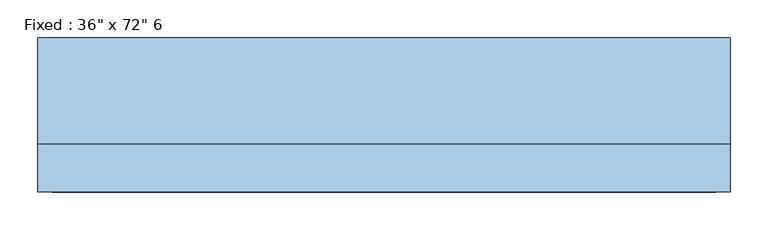
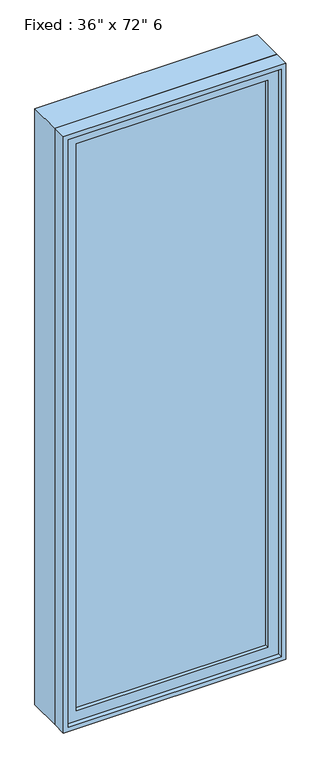
"""IFC4 building model written with IfcOpenShell, lengths in millimetres: window geometry."""

from ifc_helpers import new_model, si_unit, frame, origin, place, context, project, spatial, polyline, outline, extrude, source, transform, mapped, element, save


def window_cf589aaa(model_context):
    return source(origin(), model_context, "Body", "SweptSolid", [
        extrude(outline(polyline([(355.6, -53.975), (355.6, -66.675), (-431.8, -66.675), (-431.8, -53.975), (355.6, -53.975)])), frame((0.0, 0.0, 368.3), z_axis=(0.0, 0.0, 1.0), x_axis=(1.0, 0.0, 0.0)), (0.0, 0.0, 1.0), 2463.8),
        extrude(outline(polyline([(2876.55, -476.25), (323.85, -476.25), (323.85, 400.05), (2876.55, 400.05), (2876.55, -476.25)]), holes=[polyline([(2832.1, -431.8), (2832.1, 355.6), (368.3, 355.6), (368.3, -431.8), (2832.1, -431.8)])]), frame((0.0, -82.55, 0.0), z_axis=(0.0, 1.0, 0.0), x_axis=(0.0, 0.0, 1.0)), (0.0, 0.0, 1.0), 44.45),
        extrude(outline(polyline([(2895.6, -495.3), (304.8, -495.3), (304.8, 419.1), (2895.6, 419.1), (2895.6, -495.3)]), holes=[polyline([(2863.85, -463.55), (2863.85, 387.35), (336.55, 387.35), (336.55, -463.55), (2863.85, -463.55)])]), frame((0.0, -38.1, 0.0), z_axis=(0.0, 1.0, 0.0), x_axis=(0.0, 0.0, 1.0)), (0.0, 0.0, 1.0), 139.7),
        extrude(outline(polyline([(2895.6, 419.1), (2895.6, -495.3), (304.8, -495.3), (304.8, 419.1), (2895.6, 419.1)]), holes=[polyline([(2876.55, 400.05), (323.85, 400.05), (323.85, -476.25), (2876.55, -476.25), (2876.55, 400.05)])]), frame((0.0, -101.6, 0.0), z_axis=(0.0, 1.0, 0.0), x_axis=(0.0, 0.0, 1.0)), (0.0, 0.0, 1.0), 63.5),
    ])


if __name__ == "__main__":
    model = new_model("IFC4")
    model_context = context("Model", 3, world=origin())
    ifc_project = project(units=[si_unit("LENGTHUNIT", "METRE", prefix="MILLI")], contexts=[model_context])
    site = spatial("IfcSite", under=ifc_project)
    building = spatial("IfcBuilding", under=site)
    placement = place(None, origin())
    window_shape = window_cf589aaa(model_context)
    element("IfcWindow", 1, ObjectType="Fixed : 36\" x 72\" 6", at=placement, inside=building, context=model_context, shape_type="MappedRepresentation", body=[
        mapped(window_shape, transform((0.0, 0.0, 0.0), x_axis=(1.0, 0.0, 0.0), y_axis=(0.0, 1.0, 0.0), z_axis=(0.0, 0.0, 1.0))),
    ])
    save(model, "model.ifc")
